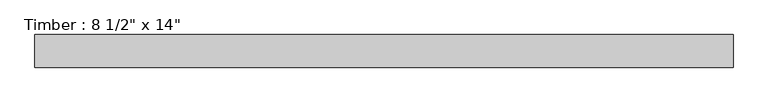
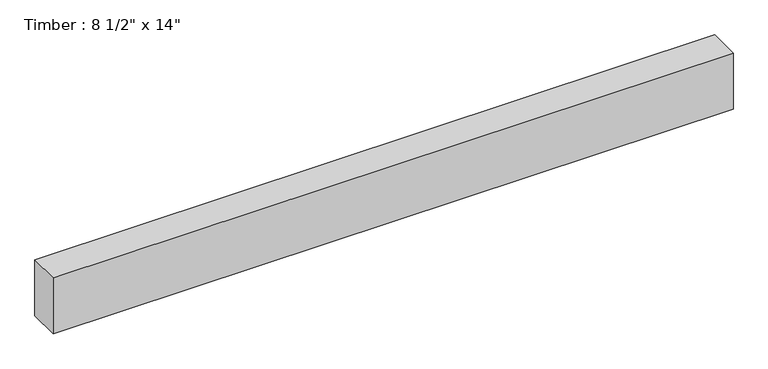
"""IFC4 building model written with IfcOpenShell, lengths in millimetres: beam geometry."""

from ifc_helpers import new_model, si_unit, frame, origin, place, context, project, spatial, polyline, outline, extrude, source, transform, mapped, element, save


def beam_25a7d612(model_context):
    return source(origin(), model_context, "Body", "SweptSolid", [
        extrude(outline(polyline([(2036.0112727, -95.25), (-2036.0112727, -95.25), (-2036.0112727, 95.25), (2036.0112727, 95.25), (2036.0112727, -95.25)])), frame((0.0, 0.0, -177.8), z_axis=(0.0, 0.0, 1.0), x_axis=(1.0, 0.0, 0.0)), (0.0, 0.0, 1.0), 355.6),
    ])


if __name__ == "__main__":
    model = new_model("IFC4")
    model_context = context("Model", 3, world=origin())
    ifc_project = project(units=[si_unit("LENGTHUNIT", "METRE", prefix="MILLI")], contexts=[model_context])
    site = spatial("IfcSite", under=ifc_project)
    building = spatial("IfcBuilding", under=site)
    placement = place(None, origin())
    beam_shape = beam_25a7d612(model_context)
    element("IfcBeam", 1, ObjectType="Timber : 8 1/2\" x 14\"", at=placement, inside=building, context=model_context, shape_type="MappedRepresentation", body=[
        mapped(beam_shape, transform((0.0, 0.0, 0.0), x_axis=(1.0, 0.0, 0.0), y_axis=(0.0, 1.0, 0.0), z_axis=(0.0, 0.0, 1.0))),
    ])
    save(model, "model.ifc")
